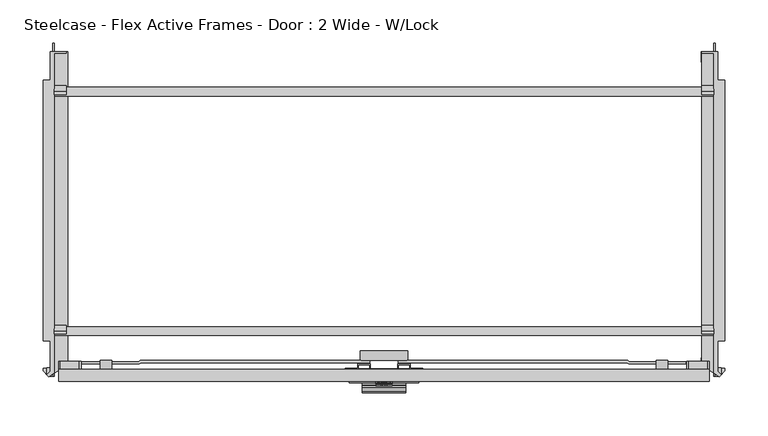
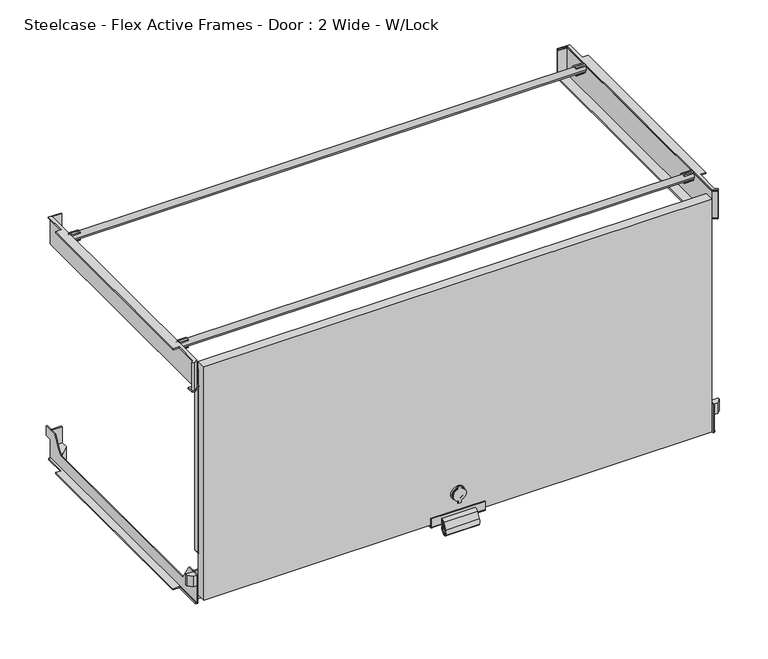
"""IFC4 building model written with IfcOpenShell, lengths in millimetres: furniture geometry, Steelcase - Flex Active Frames - Door : 2 Wide - W/Lock."""

from ifc_helpers import new_model, si_unit, point, frame, frame_2d, origin, place, context, project, spatial, polyline, circle_curve, trimmed, segment, composite_curve, outline, extrude, faceted_brep, source, transform, mapped, element, save
from ifc_brep_helpers import plane_surface, cylinder_surface, revolved_surface, advanced_brep


def steelcase_flex_active_frames_door_2_wide_w_lock_f617dd2b(model_context):
    return source(origin(), model_context, "Body", "SolidModel", [
        extrude(outline(polyline([(776.9420531, -373.0157005), (776.9420531, -1.9704708), (762.9400977, -1.9704708), (762.9400977, -0.2946526), (778.9303522, -0.0162739), (778.9303522, -368.4618531), (785.7171957, -375.2153725), (783.3940727, -377.5448751), (776.9420531, -373.0157005)])), frame((0.0, 0.0, 345.9048069), z_axis=(0.0, 0.0, 1.0), x_axis=(1.0, 0.0, 0.0)), (0.0, 0.0, 1.0), 41.5000832),
        advanced_brep(
        [(404.5297363, -386.5060322, 53.4049524), (404.5297363, -387.4990083, 53.4049524), (397.2627899, -387.4990083, 44.1242374), (397.2627899, -386.5060322, 44.1242374), (385.4102637, -387.4990083, 53.4049524), (385.4102637, -386.5060322, 53.4049524), (392.6772101, -386.5060322, 44.1242374), (392.6772101, -387.4990083, 44.1242374), (397.9371567, -386.5060322, 62.492556), (397.9371567, -387.4990083, 62.492556), (392.0028433, -387.4990083, 62.492556), (392.0028433, -386.5060322, 62.492556), (386.5596791, -385.7012029, 53.4049524), (403.3803209, -385.7012029, 53.4049524), (385.4917752, -385.7012029, 53.4049524), (404.4482248, -385.7012029, 53.4049524), (385.4917752, -384.715218, 53.4049524), (404.4482248, -384.715218, 53.4049524), (387.3856708, -384.0258963, 53.4049524), (402.5543292, -384.0258963, 53.4049524), (385.9113649, -384.0258963, 53.4049524), (404.0286351, -384.0258963, 53.4049524), (384.4116061, -382.5261375, 53.4049524), (405.5283939, -382.5261375, 53.4049524), (394.97, -382.5261375, 53.4049524), (398.150317, -387.4990083, 62.6110523), (398.150317, -387.4990083, 64.5755991), (396.626317, -387.4990083, 66.0995991), (393.313683, -387.4990083, 66.0995991), (391.789683, -387.4990083, 64.5755991), (391.789683, -387.4990083, 62.6110523), (392.603092, -387.4990083, 43.8269662), (392.603092, -387.4990083, 40.0258754), (397.336908, -387.4990083, 40.0258754), (397.336908, -387.4990083, 43.8269662), (391.789683, -386.5060322, 62.6110523), (391.789683, -386.5060322, 64.5755991), (393.313683, -386.5060322, 66.0995991), (396.626317, -386.5060322, 66.0995991), (398.150317, -386.5060322, 64.5755991), (398.150317, -386.5060322, 62.6110523), (397.336908, -386.5060322, 43.8269662), (397.336908, -386.5060322, 40.0258754), (392.603092, -386.5060322, 40.0258754), (392.603092, -386.5060322, 43.8269662)],
        [
            (0, 1),
            (1, 2, circle_curve(frame((394.97, -387.4990083, 53.4049524), z_axis=(0.0, 1.0, 0.0), x_axis=(1.0, 0.0, 0.0)), 9.5597363)),
            (2, 3),
            (3, 0, circle_curve(frame((394.97, -386.5060322, 53.4049524), z_axis=(0.0, -1.0, 0.0), x_axis=(1.0, 0.0, 0.0)), 9.5597363)),
            (4, 5),
            (5, 6, circle_curve(frame((394.97, -386.5060322, 53.4049524), z_axis=(0.0, -1.0, 0.0), x_axis=(1.0, 0.0, 0.0)), 9.5597363)),
            (6, 7),
            (7, 4, circle_curve(frame((394.97, -387.4990083, 53.4049524), z_axis=(0.0, 1.0, 0.0), x_axis=(1.0, 0.0, 0.0)), 9.5597363)),
            (0, 8, circle_curve(frame((394.97, -386.5060322, 53.4049524), z_axis=(0.0, -1.0, 0.0), x_axis=(1.0, 0.0, 0.0)), 9.5597363)),
            (8, 9),
            (9, 1, circle_curve(frame((394.97, -387.4990083, 53.4049524), z_axis=(0.0, 1.0, 0.0), x_axis=(1.0, 0.0, 0.0)), 9.5597363)),
            (4, 10, circle_curve(frame((394.97, -387.4990083, 53.4049524), z_axis=(0.0, 1.0, 0.0), x_axis=(1.0, 0.0, 0.0)), 9.5597363)),
            (10, 11),
            (11, 5, circle_curve(frame((394.97, -386.5060322, 53.4049524), z_axis=(0.0, -1.0, 0.0), x_axis=(1.0, 0.0, 0.0)), 9.5597363)),
            (12, 13, circle_curve(frame((394.97, -385.7012029, 53.4049524), z_axis=(0.0, -1.0, 0.0), x_axis=(1.0, 0.0, 0.0)), 8.4103209)),
            (13, 0),
            (3, 6, circle_curve(frame((394.97, -386.5060322, 53.4049524), z_axis=(0.0, 1.0, 0.0), x_axis=(1.0, 0.0, 0.0)), 9.5597363)),
            (5, 12),
            (13, 12, circle_curve(frame((394.97, -385.7012029, 53.4049524), z_axis=(0.0, -1.0, 0.0), x_axis=(1.0, 0.0, 0.0)), 8.4103209)),
            (11, 8, circle_curve(frame((394.97, -386.5060322, 53.4049524), z_axis=(0.0, 1.0, 0.0), x_axis=(1.0, 0.0, 0.0)), 9.5597363)),
            (12, 14),
            (14, 15, circle_curve(frame((394.97, -385.7012029, 53.4049524), z_axis=(0.0, -1.0, 0.0), x_axis=(1.0, 0.0, 0.0)), 9.4782248)),
            (15, 13),
            (15, 14, circle_curve(frame((394.97, -385.7012029, 53.4049524), z_axis=(0.0, -1.0, 0.0), x_axis=(1.0, 0.0, 0.0)), 9.4782248)),
            (14, 16),
            (16, 17, circle_curve(frame((394.97, -384.715218, 53.4049524), z_axis=(0.0, -1.0, 0.0), x_axis=(1.0, 0.0, 0.0)), 9.4782248)),
            (17, 15),
            (17, 16, circle_curve(frame((394.97, -384.715218, 53.4049524), z_axis=(0.0, -1.0, 0.0), x_axis=(1.0, 0.0, 0.0)), 9.4782248)),
            (16, 18),
            (18, 19, circle_curve(frame((394.97, -384.0258963, 53.4049524), z_axis=(0.0, -1.0, 0.0), x_axis=(1.0, 0.0, 0.0)), 7.5843292)),
            (19, 17),
            (19, 18, circle_curve(frame((394.97, -384.0258963, 53.4049524), z_axis=(0.0, -1.0, 0.0), x_axis=(1.0, 0.0, 0.0)), 7.5843292)),
            (18, 20),
            (20, 21, circle_curve(frame((394.97, -384.0258963, 53.4049524), z_axis=(0.0, -1.0, 0.0), x_axis=(1.0, 0.0, 0.0)), 9.0586351)),
            (21, 19),
            (21, 20, circle_curve(frame((394.97, -384.0258963, 53.4049524), z_axis=(0.0, -1.0, 0.0), x_axis=(1.0, 0.0, 0.0)), 9.0586351)),
            (20, 22),
            (22, 23, circle_curve(frame((394.97, -382.5261375, 53.4049524), z_axis=(0.0, -1.0, 0.0), x_axis=(1.0, 0.0, 0.0)), 10.5583939)),
            (23, 21),
            (23, 22, circle_curve(frame((394.97, -382.5261375, 53.4049524), z_axis=(0.0, -1.0, 0.0), x_axis=(1.0, 0.0, 0.0)), 10.5583939)),
            (22, 24),
            (24, 23),
            (25, 26),
            (26, 27, circle_curve(frame((396.626317, -387.4990083, 64.5755991), z_axis=(0.0, -1.0, 0.0), x_axis=(1.0, 0.0, 0.0)), 1.524)),
            (27, 28),
            (28, 29, circle_curve(frame((393.313683, -387.4990083, 64.5755991), z_axis=(0.0, -1.0, 0.0), x_axis=(1.0, 0.0, 0.0)), 1.524)),
            (29, 30),
            (30, 10),
            (7, 31),
            (31, 32),
            (32, 33),
            (33, 34),
            (34, 2),
            (9, 25),
            (35, 36),
            (36, 37, circle_curve(frame((393.313683, -386.5060322, 64.5755991), z_axis=(0.0, 1.0, 0.0), x_axis=(1.0, 0.0, 0.0)), 1.524)),
            (37, 38),
            (38, 39, circle_curve(frame((396.626317, -386.5060322, 64.5755991), z_axis=(0.0, 1.0, 0.0), x_axis=(1.0, 0.0, 0.0)), 1.524)),
            (39, 40),
            (40, 8),
            (11, 35),
            (41, 42),
            (42, 43),
            (43, 44),
            (44, 6),
            (3, 41),
            (30, 35),
            (44, 31),
            (43, 32),
            (42, 33),
            (41, 34),
            (40, 25),
            (39, 26),
            (38, 27),
            (37, 28),
            (36, 29),
        ],
        [
            cylinder_surface(frame((394.97, -363.4761375, 53.4049524), z_axis=(0.0, 1.0, 0.0), x_axis=(1.0, 0.0, 0.0)), 9.5597363),
            revolved_surface(polyline([(404.5297363, -386.5060322, 53.4049524), (403.3803209, -385.7012029, 53.4049524)]), (394.97, -363.4761375, 53.4049524), (0.0, 1.0, 0.0)),
            plane_surface(frame((394.97, -385.7012029, 53.4049524), z_axis=(0.0, -1.0, 0.0), x_axis=(1.0, 0.0, 0.0))),
            cylinder_surface(frame((394.97, -363.4761375, 53.4049524), z_axis=(0.0, 1.0, 0.0), x_axis=(1.0, 0.0, 0.0)), 9.4782248),
            revolved_surface(polyline([(404.4482248, -384.715218, 53.4049524), (402.5543292, -384.0258963, 53.4049524)]), (394.97, -363.4761375, 53.4049524), (0.0, 1.0, 0.0)),
            plane_surface(frame((394.97, -384.0258963, 53.4049524), z_axis=(0.0, -1.0, 0.0), x_axis=(1.0, 0.0, 0.0))),
            revolved_surface(polyline([(404.0286351, -384.0258963, 53.4049524), (405.5283939, -382.5261375, 53.4049524)]), (394.97, -363.4761375, 53.4049524), (0.0, 1.0, 0.0)),
            plane_surface(frame((394.97, -382.5261375, 53.4049524), z_axis=(0.0, 1.0, 0.0), x_axis=(1.0, 0.0, 0.0))),
            plane_surface(frame((394.97, -387.4990083, 53.4049524), z_axis=(0.0, -1.0, 0.0), x_axis=(1.0, 0.0, 0.0))),
            plane_surface(frame((391.789683, -386.5060322, 62.6110523), z_axis=(0.0, 1.0, 0.0), x_axis=(-0.8740285702770072, 0.0, 0.4858745294204366))),
            plane_surface(frame((391.789683, -387.4990083, 62.6110523), z_axis=(-0.4858745294204366, 0.0, -0.8740285702770072), x_axis=(0.0, 1.0, 0.0))),
            plane_surface(frame((393.3625158, -387.4990083, 46.8728484), z_axis=(-0.9702957262759957, 0.0, 0.24192189559967098), x_axis=(0.0, 1.0, 0.0))),
            plane_surface(frame((392.603092, -387.4990083, 43.8269662), z_axis=(-1.0, 0.0, 0.0), x_axis=(0.0, 1.0, 0.0))),
            plane_surface(frame((392.603092, -387.4990083, 40.0258754), z_axis=(0.0, 0.0, -1.0), x_axis=(0.0, 1.0, 0.0))),
            plane_surface(frame((397.336908, -387.4990083, 40.0258754), z_axis=(1.0, 0.0, 0.0), x_axis=(0.0, 1.0, 0.0))),
            plane_surface(frame((397.336908, -387.4990083, 43.8269662), z_axis=(0.9702957262759965, 0.0, 0.24192189559966779), x_axis=(0.0, 1.0, 0.0))),
            plane_surface(frame((397.3248277, -387.4990083, 62.1521609), z_axis=(0.4858745294204366, 0.0, -0.8740285702770072), x_axis=(0.0, 1.0, 0.0))),
            plane_surface(frame((398.150317, -387.4990083, 62.6110523), z_axis=(1.0, 0.0, 0.0), x_axis=(0.0, 1.0, 0.0))),
            cylinder_surface(frame((396.626317, -386.5060322, 64.5755991), z_axis=(0.0, -1.0, 0.0), x_axis=(1.0, 0.0, 0.0)), 1.524),
            plane_surface(frame((396.626317, -387.4990083, 66.0995991), z_axis=(0.0, 0.0, 1.0), x_axis=(0.0, 1.0, 0.0))),
            cylinder_surface(frame((393.313683, -386.5060322, 64.5755991), z_axis=(0.0, -1.0, 0.0), x_axis=(1.0, 0.0, 0.0)), 1.524),
            plane_surface(frame((391.789683, -387.4990083, 64.5755991), z_axis=(-1.0, 0.0, 0.0), x_axis=(0.0, 1.0, 0.0))),
        ],
        [
            (0, [[1, 2, 3, 4]]),
            (0, [[5, 6, 7, 8]]),
            (0, [[-1, 9, 10, 11]]),
            (0, [[-5, 12, 13, 14]]),
            (1, [[15, 16, -4, 17, -6, 18]]),
            (1, [[-16, 19, -18, -14, 20, -9]]),
            (2, [[-15, 21, 22, 23]]),
            (2, [[-19, -23, 24, -21]]),
            (3, [[-22, 25, 26, 27]]),
            (3, [[-24, -27, 28, -25]]),
            (4, [[-26, 29, 30, 31]]),
            (4, [[-28, -31, 32, -29]]),
            (5, [[-30, 33, 34, 35]]),
            (5, [[-32, -35, 36, -33]]),
            (6, [[-34, 37, 38, 39]]),
            (6, [[-36, -39, 40, -37]]),
            (7, [[-38, 41, 42]]),
            (7, [[-40, -42, -41]]),
            (8, [[43, 44, 45, 46, 47, 48, -12, -8, 49, 50, 51, 52, 53, -2, -11, 54]]),
            (9, [[55, 56, 57, 58, 59, 60, -20, 61]]),
            (9, [[62, 63, 64, 65, -17, 66]]),
            (10, [[67, -61, -13, -48]]),
            (11, [[68, -49, -7, -65]]),
            (12, [[-50, -68, -64, 69]]),
            (13, [[-51, -69, -63, 70]]),
            (14, [[-52, -70, -62, 71]]),
            (15, [[-71, -66, -3, -53]]),
            (16, [[72, -54, -10, -60]]),
            (17, [[-43, -72, -59, 73]]),
            (18, [[-44, -73, -58, 74]]),
            (19, [[-45, -74, -57, 75]]),
            (20, [[-46, -75, -56, 76]]),
            (21, [[-47, -76, -55, -67]]),
        ],
    ),
        extrude(outline(composite_curve([segment(polyline([(-394.5053212, 10.4032894), (-389.4788354, 19.5558073)]), True, "CONTINUOUS"), segment(trimmed(circle_curve(frame_2d((-384.936598, 17.0612488)), 5.1821562), [point((-389.4788354, 19.5558073))], [point((-384.0258963, 22.1627549))], False, "CARTESIAN"), True, "CONTINUOUS"), segment(polyline([(-384.0258963, 22.1627549), (-384.0258963, 21.3436146)]), True, "CONTINUOUS"), segment(trimmed(circle_curve(frame_2d((-385.1798575, 16.9863859)), 4.507446), [point((-384.0258963, 21.3436146))], [point((-389.1307013, 19.156156))], True, "CARTESIAN"), True, "CONTINUOUS"), segment(polyline([(-389.1307013, 19.156156), (-394.0692316, 10.1637927)]), True, "CONTINUOUS"), segment(trimmed(circle_curve(frame_2d((-386.2818738, 5.8870413)), 8.8844552), [point((-394.0692316, 10.1637927))], [point((-394.5968885, 2.7574926))], True, "CARTESIAN"), True, "CONTINUOUS"), segment(trimmed(circle_curve(frame_2d((-391.3251773, 3.988877)), 3.4957691), [point((-394.5968885, 2.7574926))], [point((-388.7326498, 1.643839))], True, "CARTESIAN"), True, "CONTINUOUS"), segment(trimmed(circle_curve(frame_2d((-399.4761611, 11.3617468)), 14.486572), [point((-388.7326498, 1.643839))], [point((-385.1577798, 9.1606733))], True, "CARTESIAN"), True, "CONTINUOUS"), segment(trimmed(circle_curve(frame_2d((-387.6682901, 9.546598)), 2.54), [point((-385.1577798, 9.1606733))], [point((-385.3170952, 10.507578))], True, "CARTESIAN"), True, "CONTINUOUS"), segment(trimmed(circle_curve(frame_2d((-376.2025969, 14.2328539)), 9.8464085), [point((-385.3170952, 10.507578))], [point((-385.7925384, 16.4655163))], False, "CARTESIAN"), True, "CONTINUOUS"), segment(trimmed(circle_curve(frame_2d((-384.508257, 16.166519)), 1.3186274), [point((-385.7925384, 16.4655163))], [point((-384.0258963, 17.3937542))], False, "CARTESIAN"), True, "CONTINUOUS"), segment(polyline([(-384.0258963, 17.3937542), (-384.0258963, 16.6121672)]), True, "CONTINUOUS"), segment(trimmed(circle_curve(frame_2d((-384.6064956, 16.1935716)), 0.7157638), [point((-384.0258963, 16.6121672))], [point((-385.3045283, 16.3519012))], True, "CARTESIAN"), True, "CONTINUOUS"), segment(trimmed(circle_curve(frame_2d((-375.8143378, 14.1993116)), 9.7312567), [point((-385.3045283, 16.3519012))], [point((-384.8047536, 10.4750963))], True, "CARTESIAN"), True, "CONTINUOUS"), segment(trimmed(circle_curve(frame_2d((-387.1513834, 9.5030217)), 2.54), [point((-384.8047536, 10.4750963))], [point((-384.6300651, 9.1955248))], False, "CARTESIAN"), True, "CONTINUOUS"), segment(trimmed(circle_curve(frame_2d((-398.2733257, 10.8594403)), 13.7443506), [point((-384.6300651, 9.1955248))], [point((-388.5654138, 1.1299171))], False, "CARTESIAN"), True, "CONTINUOUS"), segment(trimmed(circle_curve(frame_2d((-391.3447502, 3.9154407)), 3.9349526), [point((-388.5654138, 1.1299171))], [point((-395.003667, 2.4676217))], False, "CARTESIAN"), True, "CONTINUOUS"), segment(trimmed(circle_curve(frame_2d((-386.315486, 5.9055009)), 9.3436343), [point((-395.003667, 2.4676217))], [point((-394.5053212, 10.4032894))], False, "CARTESIAN"), True, "CONTINUOUS")], self_intersect=False)), frame((369.9859145, 0.0, 0.0), z_axis=(1.0, 0.0, 0.0), x_axis=(0.0, 1.0, 0.0)), (0.0, 0.0, 1.0), 49.9681709),
        extrude(outline(composite_curve([segment(polyline([(-393.2348137, 9.6697586), (-388.5001978, 18.5229973)]), True, "CONTINUOUS"), segment(trimmed(circle_curve(frame_2d((-384.6800166, 16.4800059)), 4.3321586), [point((-388.5001978, 18.5229973))], [point((-384.0258963, 20.7624963))], False, "CARTESIAN"), True, "CONTINUOUS"), segment(polyline([(-384.0258963, 20.7624963), (-384.0258963, 19.9610297)]), True, "CONTINUOUS"), segment(trimmed(circle_curve(frame_2d((-384.9916473, 16.585016)), 3.5114303), [point((-384.0258963, 19.9610297))], [point((-388.0880944, 18.2409623))], True, "CARTESIAN"), True, "CONTINUOUS"), segment(polyline([(-388.0880944, 18.2409623), (-392.7970743, 9.4356603)]), True, "CONTINUOUS"), segment(trimmed(circle_curve(frame_2d((-385.9017131, 5.748096)), 7.8194716), [point((-392.7970743, 9.4356603))], [point((-393.4843715, 3.8382718))], True, "CARTESIAN"), True, "CONTINUOUS"), segment(trimmed(circle_curve(frame_2d((-391.2381454, 4.4040229)), 2.3163777), [point((-393.4843715, 3.8382718))], [point((-389.4681109, 2.9098396))], True, "CARTESIAN"), True, "CONTINUOUS"), segment(trimmed(circle_curve(frame_2d((-399.1697978, 11.0995661)), 12.6962336), [point((-389.4681109, 2.9098396))], [point((-386.6211818, 9.1691299))], True, "CARTESIAN"), True, "CONTINUOUS"), segment(trimmed(circle_curve(frame_2d((-389.1316495, 9.5553317)), 2.54), [point((-386.6211818, 9.1691299))], [point((-386.7724973, 10.4966077))], True, "CARTESIAN"), True, "CONTINUOUS"), segment(trimmed(circle_curve(frame_2d((-377.3543286, 14.2543545)), 10.140146), [point((-386.7724973, 10.4966077))], [point((-387.1782369, 16.7669998))], False, "CARTESIAN"), True, "CONTINUOUS"), segment(trimmed(circle_curve(frame_2d((-384.5224201, 16.0877258)), 2.7413092), [point((-387.1782369, 16.7669998))], [point((-384.0258963, 18.7836932))], False, "CARTESIAN"), True, "CONTINUOUS"), segment(polyline([(-384.0258963, 18.7836932), (-384.0258963, 17.9896732)]), True, "CONTINUOUS"), segment(trimmed(circle_curve(frame_2d((-384.7842725, 16.1801113)), 1.9620521), [point((-384.0258963, 17.9896732))], [point((-386.6910856, 16.6424019))], True, "CARTESIAN"), True, "CONTINUOUS"), segment(trimmed(circle_curve(frame_2d((-376.7668809, 14.2363631)), 10.2117022), [point((-386.6910856, 16.6424019))], [point((-386.2669949, 10.4911401))], True, "CARTESIAN"), True, "CONTINUOUS"), segment(trimmed(circle_curve(frame_2d((-388.6299985, 9.5595749)), 2.54), [point((-386.2669949, 10.4911401))], [point((-386.1182341, 9.1818983))], False, "CARTESIAN"), True, "CONTINUOUS"), segment(trimmed(circle_curve(frame_2d((-399.1577456, 11.1425591)), 13.186093), [point((-386.1182341, 9.1818983))], [point((-389.2466987, 2.4451917))], False, "CARTESIAN"), True, "CONTINUOUS"), segment(trimmed(circle_curve(frame_2d((-391.2779315, 4.2276853)), 2.7024415), [point((-389.2466987, 2.4451917))], [point((-393.8696232, 3.4619671))], False, "CARTESIAN"), True, "CONTINUOUS"), segment(trimmed(circle_curve(frame_2d((-385.9836158, 5.7918967)), 8.2229973), [point((-393.8696232, 3.4619671))], [point((-393.2348137, 9.6697586))], False, "CARTESIAN"), True, "CONTINUOUS")], self_intersect=False)), frame((369.9859145, 0.0, 0.0), z_axis=(1.0, 0.0, 0.0), x_axis=(0.0, 1.0, 0.0)), (0.0, 0.0, 1.0), 49.9681709),
        extrude(outline(composite_curve([segment(polyline([(-368.0264793, 11.7171627), (-381.9938963, 11.7171627)]), True, "CONTINUOUS"), segment(trimmed(circle_curve(frame_2d((-381.9938963, 13.7491627)), 2.032), [point((-381.9938963, 11.7171627))], [point((-384.0258963, 13.7491627))], False, "CARTESIAN"), True, "CONTINUOUS"), segment(polyline([(-384.0258963, 13.7491627), (-384.0258963, 26.6993151), (-382.5209343, 26.6993151), (-382.5209343, 14.3428212)]), True, "CONTINUOUS"), segment(trimmed(circle_curve(frame_2d((-381.2509343, 14.3428212)), 1.27), [point((-382.5209343, 14.3428212))], [point((-381.2509343, 13.0728212))], True, "CARTESIAN"), True, "CONTINUOUS"), segment(polyline([(-381.2509343, 13.0728212), (-368.0264793, 13.0728212), (-368.0264793, 11.7171627)]), True, "CONTINUOUS")], self_intersect=False)), frame((354.9645204, 0.0, 0.0), z_axis=(1.0, 0.0, 0.0), x_axis=(0.0, 1.0, 0.0)), (0.0, 0.0, 1.0), 80.0109592),
        extrude(outline(composite_curve([segment(trimmed(circle_curve(frame_2d((53.4049524, 394.9650342)), 27.432), [point((53.4049524, 367.5330342))], [point((53.4049524, 422.3970342))], False, "CARTESIAN"), True, "CONTINUOUS"), segment(trimmed(circle_curve(frame_2d((53.4049524, 394.9650342)), 27.432), [point((53.4049524, 422.3970342))], [point((53.4049524, 367.5330342))], False, "CARTESIAN"), True, "CONTINUOUS")], self_intersect=False)), frame((0.0, -358.2604492, 0.0), z_axis=(0.0, 1.0, 0.0), x_axis=(0.0, 0.0, 1.0)), (0.0, 0.0, 1.0), 10.8583257),
        extrude(outline(polyline([(79.5158829, -362.5062706), (79.5158829, -360.0062596), (110.5835844, -360.0062596), (112.6258532, -358.5062664), (378.569378, -358.5062664), (378.569378, -361.006247), (113.445268, -361.006247), (111.402958, -362.5062706), (79.5158829, -362.5062706)])), frame((0.0, 0.0, 47.091239), z_axis=(0.0, 0.0, 1.0), x_axis=(1.0, 0.0, 0.0)), (0.0, 0.0, 1.0), 12.5687958),
        extrude(outline(polyline([(710.4241171, -362.5062706), (678.537042, -362.5062706), (676.494732, -361.006247), (411.370622, -361.006247), (411.370622, -358.5062664), (677.3141468, -358.5062664), (679.3564156, -360.0062596), (710.4241171, -360.0062596), (710.4241171, -362.5062706)])), frame((0.0, 0.0, 47.091239), z_axis=(0.0, 0.0, 1.0), x_axis=(1.0, 0.0, 0.0)), (0.0, 0.0, 1.0), 12.5687958),
        extrude(outline(composite_curve([segment(polyline([(47.1600332, 66.002076), (59.659997, 66.002076), (59.659997, 44.5899139)]), True, "CONTINUOUS"), segment(trimmed(circle_curve(frame_2d((53.4100151, 44.5899139)), 6.2499819), [point((59.659997, 44.5899139))], [point((47.1600332, 44.5899139))], False, "CARTESIAN"), True, "CONTINUOUS"), segment(polyline([(47.1600332, 44.5899139), (47.1600332, 66.002076)]), True, "CONTINUOUS")], self_intersect=False)), frame((0.0, -362.5135073, 0.0), z_axis=(0.0, 1.0, 0.0), x_axis=(0.0, 0.0, 1.0)), (0.0, 0.0, 1.0), 2.5072627),
        extrude(outline(composite_curve([segment(polyline([(47.1600332, 723.937924), (47.1600332, 745.3500861)]), True, "CONTINUOUS"), segment(trimmed(circle_curve(frame_2d((53.4100151, 745.3500861)), 6.2499819), [point((47.1600332, 745.3500861))], [point((59.659997, 745.3500861))], False, "CARTESIAN"), True, "CONTINUOUS"), segment(polyline([(59.659997, 745.3500861), (59.659997, 723.937924), (47.1600332, 723.937924)]), True, "CONTINUOUS")], self_intersect=False)), frame((0.0, -362.5135073, 0.0), z_axis=(0.0, 1.0, 0.0), x_axis=(0.0, 0.0, 1.0)), (0.0, 0.0, 1.0), 2.5072627),
        extrude(outline(composite_curve([segment(trimmed(circle_curve(frame_2d((39.4663531, 72.7589794)), 6.7569035), [point((39.4663531, 66.002076))], [point((39.4663531, 79.5158829))], False, "CARTESIAN"), True, "CONTINUOUS"), segment(polyline([(39.4663531, 79.5158829), (67.2893278, 79.5158829)]), True, "CONTINUOUS"), segment(trimmed(circle_curve(frame_2d((67.2893278, 72.7589794)), 6.7569035), [point((67.2893278, 79.5158829))], [point((67.2893278, 66.002076))], False, "CARTESIAN"), True, "CONTINUOUS"), segment(polyline([(67.2893278, 66.002076), (39.4663531, 66.002076)]), True, "CONTINUOUS")], self_intersect=False)), frame((0.0, -368.5066341, 0.0), z_axis=(0.0, 1.0, 0.0), x_axis=(0.0, 0.0, 1.0)), (0.0, 0.0, 1.0), 10.2464282),
        extrude(outline(composite_curve([segment(polyline([(39.4663531, 723.937924), (67.2893278, 723.937924)]), True, "CONTINUOUS"), segment(trimmed(circle_curve(frame_2d((67.2893278, 717.1810206)), 6.7569035), [point((67.2893278, 723.937924))], [point((67.2893278, 710.4241171))], False, "CARTESIAN"), True, "CONTINUOUS"), segment(polyline([(67.2893278, 710.4241171), (39.4663531, 710.4241171)]), True, "CONTINUOUS"), segment(trimmed(circle_curve(frame_2d((39.4663531, 717.1810206)), 6.7569035), [point((39.4663531, 710.4241171))], [point((39.4663531, 723.937924))], False, "CARTESIAN"), True, "CONTINUOUS")], self_intersect=False)), frame((0.0, -368.5066341, 0.0), z_axis=(0.0, 1.0, 0.0), x_axis=(0.0, 0.0, 1.0)), (0.0, 0.0, 1.0), 10.2464282),
        extrude(outline(polyline([(379.3040715, -373.7584846), (410.6359285, -373.7584846), (410.6359285, -362.5135073), (425.6157299, -362.5135073), (425.6157299, -367.7130567), (440.060925, -367.7130567), (440.060925, -368.5002664), (424.8657271, -368.5002664), (424.8657271, -363.2635099), (411.3859311, -363.2635099), (411.3859311, -374.5084873), (378.5540689, -374.5084873), (378.5540689, -363.2635099), (365.0742729, -363.2635099), (365.0742729, -368.5002664), (349.879075, -368.5002664), (349.879075, -367.7130567), (364.3242701, -367.7130567), (364.3242701, -362.5135073), (379.3040715, -362.5135073), (379.3040715, -373.7584846)])), frame((0.0, 0.0, 31.2417849), z_axis=(0.0, 0.0, 1.0), x_axis=(1.0, 0.0, 0.0)), (0.0, 0.0, 1.0), 44.3884583),
        extrude(outline(composite_curve([segment(polyline([(-46.5254063, 387.4651093), (-49.8140863, 387.4651093), (-49.8140863, 389.3429016), (-46.0133736, 389.3429016)]), True, "CONTINUOUS"), segment(trimmed(circle_curve(frame_2d((-46.0133736, 382.9938948)), 6.3490068), [point((-46.0133736, 389.3429016))], [point((-46.0133736, 376.6448879))], False, "CARTESIAN"), True, "CONTINUOUS"), segment(polyline([(-46.0133736, 376.6448879), (-49.8140863, 376.6448879), (-49.8140863, 378.2206396), (-46.5254063, 378.2206396)]), True, "CONTINUOUS"), segment(trimmed(circle_curve(frame_2d((-46.5254063, 382.8428744)), 4.6222348), [point((-46.5254063, 378.2206396))], [point((-46.5254063, 387.4651093))], True, "CARTESIAN"), True, "CONTINUOUS")], self_intersect=False)), frame((762.9401461, 0.0, 0.0), z_axis=(1.0, 0.0, 0.0), x_axis=(0.0, 1.0, 0.0)), (0.0, 0.0, 1.0), 14.2519757),
        extrude(outline(composite_curve([segment(polyline([(-324.5158504, 387.4651093), (-327.8045305, 387.4651093), (-327.8045305, 389.3429016), (-324.0038177, 389.3429016)]), True, "CONTINUOUS"), segment(trimmed(circle_curve(frame_2d((-324.0038177, 382.9938948)), 6.3490068), [point((-324.0038177, 389.3429016))], [point((-324.0038177, 376.6448879))], False, "CARTESIAN"), True, "CONTINUOUS"), segment(polyline([(-324.0038177, 376.6448879), (-327.8045305, 376.6448879), (-327.8045305, 378.2206396), (-324.5158504, 378.2206396)]), True, "CONTINUOUS"), segment(trimmed(circle_curve(frame_2d((-324.5158504, 382.8428744)), 4.6222348), [point((-324.5158504, 378.2206396))], [point((-324.5158504, 387.4651093))], True, "CARTESIAN"), True, "CONTINUOUS")], self_intersect=False)), frame((762.9401461, 0.0, 0.0), z_axis=(1.0, 0.0, 0.0), x_axis=(0.0, 1.0, 0.0)), (0.0, 0.0, 1.0), 14.2519757),
        extrude(outline(composite_curve([segment(polyline([(-46.5254063, 387.4651093), (-49.8140863, 387.4651093), (-49.8140863, 389.3429016), (-46.0133736, 389.3429016)]), True, "CONTINUOUS"), segment(trimmed(circle_curve(frame_2d((-46.0133736, 382.9938948)), 6.3490068), [point((-46.0133736, 389.3429016))], [point((-46.0133736, 376.6448879))], False, "CARTESIAN"), True, "CONTINUOUS"), segment(polyline([(-46.0133736, 376.6448879), (-49.8140863, 376.6448879), (-49.8140863, 378.2206396), (-46.5254063, 378.2206396)]), True, "CONTINUOUS"), segment(trimmed(circle_curve(frame_2d((-46.5254063, 382.8428744)), 4.6222348), [point((-46.5254063, 378.2206396))], [point((-46.5254063, 387.4651093))], True, "CARTESIAN"), True, "CONTINUOUS")], self_intersect=False)), frame((12.9903408, 0.0, 0.0), z_axis=(1.0, 0.0, 0.0), x_axis=(0.0, 1.0, 0.0)), (0.0, 0.0, 1.0), 13.8328281),
        extrude(outline(composite_curve([segment(polyline([(-324.5158504, 387.4651093), (-327.8045305, 387.4651093), (-327.8045305, 389.3429016), (-324.0038177, 389.3429016)]), True, "CONTINUOUS"), segment(trimmed(circle_curve(frame_2d((-324.0038177, 382.9938948)), 6.3490068), [point((-324.0038177, 389.3429016))], [point((-324.0038177, 376.6448879))], False, "CARTESIAN"), True, "CONTINUOUS"), segment(polyline([(-324.0038177, 376.6448879), (-327.8045305, 376.6448879), (-327.8045305, 378.2206396), (-324.5158504, 378.2206396)]), True, "CONTINUOUS"), segment(trimmed(circle_curve(frame_2d((-324.5158504, 382.8428744)), 4.6222348), [point((-324.5158504, 378.2206396))], [point((-324.5158504, 387.4651093))], True, "CARTESIAN"), True, "CONTINUOUS")], self_intersect=False)), frame((12.9903408, 0.0, 0.0), z_axis=(1.0, 0.0, 0.0), x_axis=(0.0, 1.0, 0.0)), (0.0, 0.0, 1.0), 13.8328281),
        extrude(outline(composite_curve([segment(trimmed(circle_curve(frame_2d((-46.5730255, 382.9048744)), 5.0417269), [point((-51.6147524, 382.9048744))], [point((-41.5312986, 382.9048744))], False, "CARTESIAN"), True, "CONTINUOUS"), segment(trimmed(circle_curve(frame_2d((-46.5730255, 382.9048744)), 5.0417269), [point((-41.5312986, 382.9048744))], [point((-51.6147524, 382.9048744))], False, "CARTESIAN"), True, "CONTINUOUS")], self_intersect=False)), frame((12.9979469, 0.0, 0.0), z_axis=(1.0, 0.0, 0.0), x_axis=(0.0, 1.0, 0.0)), (0.0, 0.0, 1.0), 763.9441061),
        extrude(outline(composite_curve([segment(trimmed(circle_curve(frame_2d((-324.5634697, 382.9048744)), 5.0417269), [point((-329.6051966, 382.9048744))], [point((-319.5217428, 382.9048744))], False, "CARTESIAN"), True, "CONTINUOUS"), segment(trimmed(circle_curve(frame_2d((-324.5634697, 382.9048744)), 5.0417269), [point((-319.5217428, 382.9048744))], [point((-329.6051966, 382.9048744))], False, "CARTESIAN"), True, "CONTINUOUS")], self_intersect=False)), frame((12.9979469, 0.0, 0.0), z_axis=(1.0, 0.0, 0.0), x_axis=(0.0, 1.0, 0.0)), (0.0, 0.0, 1.0), 763.9441061),
        extrude(outline(polyline([(0.0078094, -367.26628), (11.0099869, -367.26628), (11.0099869, -376.6280043), (6.0092747, -376.6280043), (0.0078094, -370.59252), (0.0078094, -367.26628)])), frame((0.0, 0.0, 37.9007596), z_axis=(0.0, 0.0, 1.0), x_axis=(1.0, 0.0, 0.0)), (0.0, 0.0, 1.0), 16.5825934),
        extrude(outline(polyline([(789.94, -367.26628), (789.94, -370.5843343), (783.9307253, -376.6280043), (778.9300131, -376.6280043), (778.9300131, -367.26628), (789.94, -367.26628)])), frame((0.0, 0.0, 37.9007596), z_axis=(0.0, 0.0, 1.0), x_axis=(1.0, 0.0, 0.0)), (0.0, 0.0, 1.0), 16.5825934),
        extrude(outline(polyline([(-11.7529543, 54.5088965), (9.7338051, 54.4672422), (9.7254723, 39.5237745), (0.0, 39.504953), (0.0, 9.5006071), (-376.6280285, 9.5006071), (-376.6280285, 54.4842854), (-356.1653725, 54.4842854), (-340.412346, 29.4859909), (-27.1233444, 29.4859909), (-20.3413456, 36.2392366), (-11.7529543, 54.5088965)])), frame((777.3469702, 0.0, 0.0), z_axis=(1.0, 0.0, 0.0), x_axis=(0.0, 1.0, 0.0)), (0.0, 0.0, 1.0), 1.583382),
        extrude(outline(polyline([(0.0, -334.1044128), (0.0, -33.4312927), (8.0401585, -33.4312927), (8.0401585, -2.0431408), (11.0099869, -2.0431408), (11.0099869, -375.1613544), (9.5184597, -375.1613544), (9.5184597, -334.1044128), (0.0, -334.1044128)])), frame((0.0, 0.0, 9.5006313), z_axis=(0.0, 0.0, 1.0), x_axis=(1.0, 0.0, 0.0)), (0.0, 0.0, 1.0), 1.9796757),
        extrude(outline(polyline([(789.94, -334.1044128), (780.4215403, -334.1044128), (780.4215403, -375.1613544), (778.9300131, -375.1613544), (778.9300131, -2.0431408), (781.8998415, -2.0431408), (781.8998415, -33.4312927), (789.94, -33.4312927), (789.94, -334.1044128)])), frame((0.0, 0.0, 9.5006313), z_axis=(0.0, 0.0, 1.0), x_axis=(1.0, 0.0, 0.0)), (0.0, 0.0, 1.0), 1.9796757),
        extrude(outline(polyline([(12.5930298, -365.4925648), (27.5930347, -365.4925648), (27.5930347, -367.2662453), (12.5930298, -367.2662453), (12.5930298, -365.4925648)])), frame((0.0, 0.0, 9.5006313), z_axis=(0.0, 0.0, 1.0), x_axis=(1.0, 0.0, 0.0)), (0.0, 0.0, 1.0), 45.1789778),
        extrude(outline(polyline([(12.5930298, 0.0), (27.5930347, 0.0), (27.5930347, -2.0431408), (12.5930298, -2.0431408), (12.5930298, 0.0)])), frame((0.0, 0.0, 9.5006313), z_axis=(0.0, 0.0, 1.0), x_axis=(1.0, 0.0, 0.0)), (0.0, 0.0, 1.0), 45.1789778),
        extrude(outline(polyline([(777.3469702, -365.4925648), (777.3469702, -367.2662453), (762.3469653, -367.2662453), (762.3469653, -365.4925648), (777.3469702, -365.4925648)])), frame((0.0, 0.0, 9.5006313), z_axis=(0.0, 0.0, 1.0), x_axis=(1.0, 0.0, 0.0)), (0.0, 0.0, 1.0), 45.1789778),
        extrude(outline(polyline([(777.3469702, 0.0), (777.3469702, -2.0431408), (762.3469653, -2.0431408), (762.3469653, 0.0), (777.3469702, 0.0)])), frame((0.0, 0.0, 9.5006313), z_axis=(0.0, 0.0, 1.0), x_axis=(1.0, 0.0, 0.0)), (0.0, 0.0, 1.0), 45.1789778),
        extrude(outline(polyline([(12.5930298, -340.412349), (27.5930347, -355.3825593), (27.5930347, -365.4925648), (12.5930298, -365.4925648), (12.5930298, -340.412349)])), frame((0.0, 0.0, 9.5006313), z_axis=(0.0, 0.0, 1.0), x_axis=(1.0, 0.0, 0.0)), (0.0, 0.0, 1.0), 19.9853596),
        extrude(outline(polyline([(12.5930298, -2.0431408), (27.5930347, -2.0431408), (27.5930347, -12.1531342), (12.5930298, -27.1233444), (12.5930298, -2.0431408)])), frame((0.0, 0.0, 9.5006313), z_axis=(0.0, 0.0, 1.0), x_axis=(1.0, 0.0, 0.0)), (0.0, 0.0, 1.0), 19.9853596),
        extrude(outline(polyline([(777.3469702, -340.412349), (777.3469702, -365.4925648), (762.3469653, -365.4925648), (762.3469653, -355.3825593), (777.3469702, -340.412349)])), frame((0.0, 0.0, 9.5006313), z_axis=(0.0, 0.0, 1.0), x_axis=(1.0, 0.0, 0.0)), (0.0, 0.0, 1.0), 19.9853596),
        extrude(outline(polyline([(777.3469702, -2.0431408), (777.3469702, -27.1233444), (762.3469653, -12.1531342), (762.3469653, -2.0431408), (777.3469702, -2.0431408)])), frame((0.0, 0.0, 9.5006313), z_axis=(0.0, 0.0, 1.0), x_axis=(1.0, 0.0, 0.0)), (0.0, 0.0, 1.0), 19.9853596),
        extrude(outline(polyline([(-11.7529543, 54.5088965), (9.7338051, 54.4672422), (9.7254723, 39.5237745), (0.0, 39.504953), (0.0, 9.5006071), (-376.6280285, 9.5006071), (-376.6280285, 54.4842854), (-356.1653725, 54.4842854), (-340.412346, 29.4859909), (-27.1233444, 29.4859909), (-20.3413456, 36.2392366), (-11.7529543, 54.5088965)])), frame((11.0099869, 0.0, 0.0), z_axis=(1.0, 0.0, 0.0), x_axis=(0.0, 1.0, 0.0)), (0.0, 0.0, 1.0), 1.5830429),
        advanced_brep(
        [(783.3940882, -377.544886, 345.9048069), (785.7171473, -375.2152756, 345.9048069), (785.7171473, -367.1259438, 345.9048069), (778.9303522, -367.022171, 345.9048069), (778.9303522, -0.028196, 345.9048069), (762.9401461, -0.028196, 345.9048069), (762.9401461, -359.5146397, 345.9048069), (771.9290839, -359.5146397, 345.9048069), (771.9290839, -368.7578754, 345.9048069), (770.9184394, -368.7578754, 345.9048069), (762.9401461, -0.028196, 343.6670199), (778.9303522, -0.028196, 343.6670199), (778.9303522, -367.022171, 343.6670199), (785.7171473, -367.1259438, 343.6670199), (785.7171473, -375.2152756, 343.6670199), (783.3940882, -377.544886, 343.6670199), (770.9184394, -368.7578754, 343.6670199), (771.9290839, -368.7578754, 343.6670199), (771.9290839, -359.5146397, 343.6670199), (762.9401461, -359.5146397, 343.6670199), (745.9488867, -368.7578754, 82.475055), (747.9808867, -368.7578754, 80.443055), (769.8970839, -368.7578754, 80.443055), (771.9290839, -368.7578754, 82.475055), (771.9290839, -368.7578754, 370.3640436), (769.8970839, -368.7578754, 372.3960436), (747.9808867, -368.7578754, 372.3960436), (745.9488867, -368.7578754, 370.3640436), (745.9488867, -359.5146397, 82.475055), (745.9488867, -359.5146397, 370.3640436), (747.9808867, -359.5146397, 372.3960436), (769.8970839, -359.5146397, 372.3960436), (771.9290839, -359.5146397, 370.3640436), (771.9290839, -359.5146397, 82.475055), (769.8970839, -359.5146397, 80.443055), (747.9808867, -359.5146397, 80.443055)],
        [
            (0, 1),
            (1, 2),
            (2, 3),
            (3, 4),
            (4, 5),
            (5, 6),
            (6, 7),
            (7, 8),
            (8, 9),
            (9, 0),
            (10, 11),
            (11, 12),
            (12, 13),
            (13, 14),
            (14, 15),
            (15, 16),
            (16, 17),
            (17, 18),
            (18, 19),
            (19, 10),
            (15, 0),
            (9, 16),
            (14, 1),
            (13, 2),
            (12, 3),
            (11, 4),
            (10, 5),
            (19, 6),
            (20, 21, circle_curve(frame((747.9808867, -368.7578754, 82.475055), z_axis=(0.0, -1.0, 0.0), x_axis=(1.0, 0.0, 0.0)), 2.032)),
            (21, 22),
            (22, 23, circle_curve(frame((769.8970839, -368.7578754, 82.475055), z_axis=(0.0, -1.0, 0.0), x_axis=(1.0, 0.0, 0.0)), 2.032)),
            (23, 17),
            (8, 24),
            (24, 25, circle_curve(frame((769.8970839, -368.7578754, 370.3640436), z_axis=(0.0, -1.0, 0.0), x_axis=(1.0, 0.0, 0.0)), 2.032)),
            (25, 26),
            (26, 27, circle_curve(frame((747.9808867, -368.7578754, 370.3640436), z_axis=(0.0, -1.0, 0.0), x_axis=(1.0, 0.0, 0.0)), 2.032)),
            (27, 20),
            (28, 29),
            (29, 30, circle_curve(frame((747.9808867, -359.5146397, 370.3640436), z_axis=(0.0, 1.0, 0.0), x_axis=(1.0, 0.0, 0.0)), 2.032)),
            (30, 31),
            (31, 32, circle_curve(frame((769.8970839, -359.5146397, 370.3640436), z_axis=(0.0, 1.0, 0.0), x_axis=(1.0, 0.0, 0.0)), 2.032)),
            (32, 7),
            (18, 33),
            (33, 34, circle_curve(frame((769.8970839, -359.5146397, 82.475055), z_axis=(0.0, 1.0, 0.0), x_axis=(1.0, 0.0, 0.0)), 2.032)),
            (34, 35),
            (35, 28, circle_curve(frame((747.9808867, -359.5146397, 82.475055), z_axis=(0.0, 1.0, 0.0), x_axis=(1.0, 0.0, 0.0)), 2.032)),
            (20, 28),
            (35, 21),
            (34, 22),
            (33, 23),
            (32, 24),
            (31, 25),
            (30, 26),
            (29, 27),
        ],
        [
            plane_surface(frame((762.9401461, -363.1385005, 345.9048069), z_axis=(0.0, 0.0, 1.0000000000000002), x_axis=(0.8175642238085566, -0.5758374249285231, 0.0))),
            plane_surface(frame((762.9401461, -363.1385005, 343.6670199), z_axis=(0.0, 0.0, -1.0000000000000002), x_axis=(-0.8175642238085566, 0.5758374249285231, 0.0))),
            plane_surface(frame((762.9401461, -363.1385005, 345.9048069), z_axis=(-0.5758374249285231, -0.8175642238085566, 0.0), x_axis=(0.0, 0.0, -1.0))),
            plane_surface(frame((783.3940882, -377.544886, 345.9048069), z_axis=(0.7081017458211601, -0.7061104145705721, 0.0), x_axis=(0.0, 0.0, -1.0))),
            plane_surface(frame((785.7171473, -375.2152756, 345.9048069), z_axis=(1.0, 0.0, 0.0), x_axis=(0.0, 0.0, -1.0))),
            plane_surface(frame((785.7171473, -367.1259438, 345.9048069), z_axis=(0.01528860179577727, 0.9998831224973898, 0.0), x_axis=(0.0, 0.0, -1.0))),
            plane_surface(frame((778.9303522, -367.022171, 345.9048069), z_axis=(1.0, 0.0, 0.0), x_axis=(0.0, 0.0, -1.0))),
            plane_surface(frame((778.9303522, -0.028196, 345.9048069), z_axis=(0.0, 1.0, 0.0), x_axis=(0.0, 0.0, -1.0))),
            plane_surface(frame((762.9401461, -0.028196, 345.9048069), z_axis=(-1.0, 0.0, 0.0), x_axis=(0.0, 0.0, -1.0))),
            plane_surface(frame((43.9911133, -368.7578754, 370.3960445), z_axis=(0.0, -1.0, 0.0), x_axis=(0.0, 0.0, 1.0))),
            plane_surface(frame((43.9911133, -359.5146397, 370.3960445), z_axis=(0.0, 1.0, 0.0), x_axis=(0.0, 0.0, -1.0))),
            cylinder_surface(frame((747.9808867, 0.0, 82.475055), z_axis=(0.0, -1.0, 0.0), x_axis=(1.0, 0.0, 0.0)), 2.032),
            plane_surface(frame((747.9808867, -368.7578754, 80.443055), z_axis=(0.0, 0.0, -1.0), x_axis=(0.0, 1.0, 0.0))),
            cylinder_surface(frame((769.8970839, 0.0, 82.475055), z_axis=(0.0, -1.0, 0.0), x_axis=(1.0, 0.0, 0.0)), 2.032),
            plane_surface(frame((771.9290839, -368.7578754, 82.475055), z_axis=(1.0, 0.0, 0.0), x_axis=(0.0, 1.0, 0.0))),
            cylinder_surface(frame((769.8970839, 0.0, 370.3640436), z_axis=(0.0, -1.0, 0.0), x_axis=(1.0, 0.0, 0.0)), 2.032),
            plane_surface(frame((769.8970839, -368.7578754, 372.3960436), z_axis=(0.0, 0.0, 1.0), x_axis=(0.0, 1.0, 0.0))),
            cylinder_surface(frame((747.9808867, 0.0, 370.3640436), z_axis=(0.0, -1.0, 0.0), x_axis=(1.0, 0.0, 0.0)), 2.032),
            plane_surface(frame((745.9488867, -368.7578754, 370.3640436), z_axis=(-1.0, 0.0, 0.0), x_axis=(0.0, 1.0, 0.0))),
        ],
        [
            (0, [[1, 2, 3, 4, 5, 6, 7, 8, 9, 10]]),
            (1, [[11, 12, 13, 14, 15, 16, 17, 18, 19, 20]]),
            (2, [[21, -10, 22, -16]]),
            (3, [[-1, -21, -15, 23]]),
            (4, [[-2, -23, -14, 24]]),
            (5, [[-3, -24, -13, 25]]),
            (6, [[-4, -25, -12, 26]]),
            (7, [[-5, -26, -11, 27]]),
            (8, [[-27, -20, 28, -6]]),
            (9, [[29, 30, 31, 32, -17, -22, -9, 33, 34, 35, 36, 37]]),
            (10, [[38, 39, 40, 41, 42, -7, -28, -19, 43, 44, 45, 46]]),
            (11, [[-29, 47, -46, 48]]),
            (12, [[-30, -48, -45, 49]]),
            (13, [[-31, -49, -44, 50]]),
            (14, [[-50, -43, -18, -32]]),
            (14, [[51, -33, -8, -42]]),
            (15, [[-34, -51, -41, 52]]),
            (16, [[-35, -52, -40, 53]]),
            (17, [[-36, -53, -39, 54]]),
            (18, [[-37, -54, -38, -47]]),
        ],
    ),
        advanced_brep(
        [(28.7302041, -0.028196, 345.9048069), (12.7399979, -0.028196, 345.9048069), (12.7399979, -366.9957133, 345.9048069), (4.2228527, -367.1259438, 345.9048069), (4.2228527, -375.2152756, 345.9048069), (6.5459118, -377.544886, 345.9048069), (20.076968, -368.7578754, 345.9048069), (18.0109161, -368.7578754, 345.9048069), (18.0109161, -359.5146397, 345.9048069), (28.7302041, -359.5146397, 345.9048069), (6.5459118, -377.544886, 343.6670199), (4.2228527, -375.2152756, 343.6670199), (4.2228527, -367.1259438, 343.6670199), (12.7399979, -366.9957133, 343.6670199), (12.7399979, -0.028196, 343.6670199), (28.7302041, -0.028196, 343.6670199), (28.7302041, -359.5146397, 343.6670199), (18.0109161, -359.5146397, 343.6670199), (18.0109161, -368.7578754, 343.6670199), (20.076968, -368.7578754, 343.6670199), (43.9911133, -368.7578754, 82.475055), (43.9911133, -368.7578754, 370.3640436), (41.9591133, -368.7578754, 372.3960436), (20.0429161, -368.7578754, 372.3960436), (18.0109161, -368.7578754, 370.3640436), (18.0109161, -368.7578754, 82.475055), (20.0429161, -368.7578754, 80.443055), (41.9591133, -368.7578754, 80.443055), (43.9911133, -359.5146397, 82.475055), (41.9591133, -359.5146397, 80.443055), (20.0429161, -359.5146397, 80.443055), (18.0109161, -359.5146397, 82.475055), (18.0109161, -359.5146397, 370.3640436), (20.0429161, -359.5146397, 372.3960436), (41.9591133, -359.5146397, 372.3960436), (43.9911133, -359.5146397, 370.3640436)],
        [
            (0, 1),
            (1, 2),
            (2, 3),
            (3, 4),
            (4, 5),
            (5, 6),
            (6, 7),
            (7, 8),
            (8, 9),
            (9, 0),
            (10, 11),
            (11, 12),
            (12, 13),
            (13, 14),
            (14, 15),
            (15, 16),
            (16, 17),
            (17, 18),
            (18, 19),
            (19, 10),
            (15, 0),
            (9, 16),
            (14, 1),
            (13, 2),
            (12, 3),
            (11, 4),
            (10, 5),
            (19, 6),
            (20, 21),
            (21, 22, circle_curve(frame((41.9591133, -368.7578754, 370.3640436), z_axis=(0.0, -1.0, 0.0), x_axis=(1.0, 0.0, 0.0)), 2.032)),
            (22, 23),
            (23, 24, circle_curve(frame((20.0429161, -368.7578754, 370.3640436), z_axis=(0.0, -1.0, 0.0), x_axis=(1.0, 0.0, 0.0)), 2.032)),
            (24, 7),
            (18, 25),
            (25, 26, circle_curve(frame((20.0429161, -368.7578754, 82.475055), z_axis=(0.0, -1.0, 0.0), x_axis=(1.0, 0.0, 0.0)), 2.032)),
            (26, 27),
            (27, 20, circle_curve(frame((41.9591133, -368.7578754, 82.475055), z_axis=(0.0, -1.0, 0.0), x_axis=(1.0, 0.0, 0.0)), 2.032)),
            (28, 29, circle_curve(frame((41.9591133, -359.5146397, 82.475055), z_axis=(0.0, 1.0, 0.0), x_axis=(1.0, 0.0, 0.0)), 2.032)),
            (29, 30),
            (30, 31, circle_curve(frame((20.0429161, -359.5146397, 82.475055), z_axis=(0.0, 1.0, 0.0), x_axis=(1.0, 0.0, 0.0)), 2.032)),
            (31, 17),
            (8, 32),
            (32, 33, circle_curve(frame((20.0429161, -359.5146397, 370.3640436), z_axis=(0.0, 1.0, 0.0), x_axis=(1.0, 0.0, 0.0)), 2.032)),
            (33, 34),
            (34, 35, circle_curve(frame((41.9591133, -359.5146397, 370.3640436), z_axis=(0.0, 1.0, 0.0), x_axis=(1.0, 0.0, 0.0)), 2.032)),
            (35, 28),
            (20, 28),
            (35, 21),
            (34, 22),
            (33, 23),
            (32, 24),
            (31, 25),
            (30, 26),
            (29, 27),
        ],
        [
            plane_surface(frame((762.9401461, -363.1385005, 345.9048069), z_axis=(0.0, 0.0, 1.0000000000000002), x_axis=(0.8175642238085566, -0.5758374249285231, 0.0))),
            plane_surface(frame((762.9401461, -363.1385005, 343.6670199), z_axis=(0.0, 0.0, -1.0000000000000002), x_axis=(-0.8175642238085566, 0.5758374249285231, 0.0))),
            plane_surface(frame((28.7302041, -363.1385005, 345.9048069), z_axis=(1.0, 0.0, 0.0), x_axis=(0.0, 0.0, -1.0))),
            plane_surface(frame((28.7302041, -0.028196, 345.9048069), z_axis=(0.0, 1.0, 0.0), x_axis=(0.0, 0.0, -1.0))),
            plane_surface(frame((12.7399979, -0.028196, 345.9048069), z_axis=(-1.0, 0.0, 0.0), x_axis=(0.0, 0.0, -1.0))),
            plane_surface(frame((12.7399979, -366.9957133, 345.9048069), z_axis=(-0.01528860179594563, 0.9998831224973872, 0.0), x_axis=(0.0, 0.0, -1.0))),
            plane_surface(frame((4.2228527, -367.1259438, 345.9048069), z_axis=(-1.0, 0.0, 0.0), x_axis=(0.0, 0.0, -1.0))),
            plane_surface(frame((4.2228527, -375.2152756, 345.9048069), z_axis=(-0.7081017458211808, -0.7061104145705515, 0.0), x_axis=(0.0, 0.0, -1.0))),
            plane_surface(frame((6.5459118, -377.544886, 345.9048069), z_axis=(0.5446320574448129, -0.8386750991912363, 0.0), x_axis=(0.0, 0.0, -1.0))),
            plane_surface(frame((43.9911133, -368.7578754, 370.3960445), z_axis=(0.0, -1.0, 0.0), x_axis=(0.0, 0.0, 1.0))),
            plane_surface(frame((43.9911133, -359.5146397, 370.3960445), z_axis=(0.0, 1.0, 0.0), x_axis=(0.0, 0.0, -1.0))),
            plane_surface(frame((43.9911133, -368.7578754, 82.475055), z_axis=(1.0, 0.0, 0.0), x_axis=(0.0, 1.0, 0.0))),
            cylinder_surface(frame((41.9591133, -359.5146397, 370.3640436), z_axis=(0.0, -1.0, 0.0), x_axis=(1.0, 0.0, 0.0)), 2.032),
            plane_surface(frame((41.9591133, -368.7578754, 372.3960436), z_axis=(0.0, 0.0, 1.0), x_axis=(0.0, 1.0, 0.0))),
            cylinder_surface(frame((20.0429161, -359.5146397, 370.3640436), z_axis=(0.0, -1.0, 0.0), x_axis=(1.0, 0.0, 0.0)), 2.032),
            plane_surface(frame((18.0109161, -368.7578754, 370.3640436), z_axis=(-1.0, 0.0, 0.0), x_axis=(0.0, 1.0, 0.0))),
            cylinder_surface(frame((20.0429161, -359.5146397, 82.475055), z_axis=(0.0, -1.0, 0.0), x_axis=(1.0, 0.0, 0.0)), 2.032),
            plane_surface(frame((20.0429161, -368.7578754, 80.443055), z_axis=(0.0, 0.0, -1.0), x_axis=(0.0, 1.0, 0.0))),
            cylinder_surface(frame((41.9591133, -359.5146397, 82.475055), z_axis=(0.0, -1.0, 0.0), x_axis=(1.0, 0.0, 0.0)), 2.032),
        ],
        [
            (0, [[1, 2, 3, 4, 5, 6, 7, 8, 9, 10]]),
            (1, [[11, 12, 13, 14, 15, 16, 17, 18, 19, 20]]),
            (2, [[21, -10, 22, -16]]),
            (3, [[-1, -21, -15, 23]]),
            (4, [[-2, -23, -14, 24]]),
            (5, [[-3, -24, -13, 25]]),
            (6, [[-4, -25, -12, 26]]),
            (7, [[-5, -26, -11, 27]]),
            (8, [[-27, -20, 28, -6]]),
            (9, [[29, 30, 31, 32, 33, -7, -28, -19, 34, 35, 36, 37]]),
            (10, [[38, 39, 40, 41, -17, -22, -9, 42, 43, 44, 45, 46]]),
            (11, [[-29, 47, -46, 48]]),
            (12, [[-30, -48, -45, 49]]),
            (13, [[-31, -49, -44, 50]]),
            (14, [[-32, -50, -43, 51]]),
            (15, [[-51, -42, -8, -33]]),
            (15, [[52, -34, -18, -41]]),
            (16, [[-35, -52, -40, 53]]),
            (17, [[-36, -53, -39, 54]]),
            (18, [[-37, -54, -38, -47]]),
        ],
    ),
        faceted_brep([(12.9979469, -373.0157005, 345.9048069), (6.5459273, -377.5448751, 345.9048069), (4.2228043, -375.2153725, 345.9048069), (11.0096478, -368.4618531, 345.9048069), (11.0096478, -0.0162739, 345.9048069), (26.9999023, -0.2946526, 345.9048069), (26.9999023, -1.9704708, 345.9048069), (12.9979469, -1.9704708, 345.9048069), (12.9979469, -1.9704708, 389.4048164), (12.9979469, -373.0157005, 389.4048164), (26.9999023, -1.9704708, 389.4048164), (26.9999023, -0.2946526, 389.4048164), (11.0096478, -0.0162739, 387.4048901), (8.3076325, 0.0307663, 387.4048901), (8.3076325, 0.0307663, 389.4048164), (11.0096478, -368.4618531, 387.4048901), (4.2228043, -375.2153725, 389.4048164), (8.3076324, -371.1506012, 389.4048164), (8.3076324, -371.1506012, 387.4048901), (6.5459273, -377.5448751, 389.4048164), (8.3076324, -33.1192478, 389.4048164), (0.0, -33.1192478, 389.4048164), (0.0, -335.9034309, 389.4048164), (8.3076324, -335.9034309, 389.4048164), (8.3076324, -335.9034309, 387.4048901), (0.0, -335.9034309, 387.4048901), (0.0, -33.1192478, 387.4048901), (8.3076324, -33.1192478, 387.4048901)], [[[0, 1, 2, 3, 4, 5, 6, 7]], [[0, 7, 8, 9]], [[8, 7, 6, 10]], [[10, 6, 5, 11]], [[11, 5, 4, 12, 13, 14]], [[4, 3, 15, 12]], [[3, 2, 16, 17, 18, 15]], [[16, 2, 1, 19]], [[19, 1, 0, 9]], [[14, 20, 21, 22, 23, 17, 16, 19, 9, 8, 10, 11]], [[18, 24, 25, 26, 27, 13, 12, 15]], [[20, 14, 13, 27]], [[21, 20, 27, 26]], [[22, 21, 26, 25]], [[23, 22, 25, 24]], [[17, 23, 24, 18]]]),
        faceted_brep([(781.6323676, 0.030766, 389.4048164), (762.9400008, -0.2946526, 389.4048164), (762.9400008, -1.9704708, 389.4048164), (776.9420531, -1.9704708, 389.4048164), (776.9420531, -373.0157005, 389.4048164), (783.3940727, -377.5448751, 389.4048164), (785.7171957, -375.2153725, 389.4048164), (781.6323676, -371.1506012, 389.4048164), (781.6323676, -335.9034309, 389.4048164), (789.94, -335.9034309, 389.4048164), (789.94, -33.1192478, 389.4048164), (781.6323676, -33.1192478, 389.4048164), (781.6323676, 0.030766, 387.4048901), (781.6323676, -33.1192478, 387.4048901), (789.94, -33.1192478, 387.4048901), (789.94, -335.9034309, 387.4048901), (781.6323676, -335.9034309, 387.4048901), (781.6323676, -371.1506012, 387.4048901), (785.7171957, -375.2153725, 387.4048901), (783.3940727, -377.5448751, 387.4048901), (776.9420531, -373.0157005, 387.4048901), (776.9420531, -1.9704708, 387.4048901), (762.9400008, -1.9704708, 387.4048901), (762.9400008, -0.2946526, 387.4048901)], [[[0, 1, 2, 3, 4, 5, 6, 7, 8, 9, 10, 11]], [[12, 13, 14, 15, 16, 17, 18, 19, 20, 21, 22, 23]], [[1, 0, 12, 23]], [[2, 1, 23, 22]], [[3, 2, 22, 21]], [[4, 3, 21, 20]], [[5, 4, 20, 19]], [[6, 5, 19, 18]], [[7, 6, 18, 17]], [[8, 7, 17, 16]], [[9, 8, 16, 15]], [[10, 9, 15, 14]], [[11, 10, 14, 13]], [[0, 11, 13, 12]]]),
        extrude(outline(polyline([(771.9319422, -382.5261375), (17.9940325, -382.5261375), (17.9940325, -368.5124931), (771.9319422, -368.5124931), (771.9319422, -382.5261375)])), frame((0.0, 0.0, 16.3990959), z_axis=(0.0, 0.0, 1.0), x_axis=(1.0, 0.0, 0.0)), (0.0, 0.0, 1.0), 366.0060024),
    ])


if __name__ == "__main__":
    model = new_model("IFC4")
    model_context = context("Model", 3, world=origin())
    ifc_project = project(units=[si_unit("LENGTHUNIT", "METRE", prefix="MILLI")], contexts=[model_context])
    site = spatial("IfcSite", under=ifc_project)
    building = spatial("IfcBuilding", under=site)
    placement = place(None, origin())
    steelcase_flex_active_frames_door_2_wide_w_lock_shape = steelcase_flex_active_frames_door_2_wide_w_lock_f617dd2b(model_context)
    element("IfcFurniture", 1, ObjectType="Steelcase - Flex Active Frames - Door : 2 Wide - W/Lock", at=placement, inside=building, context=model_context, shape_type="MappedRepresentation", body=[
        mapped(steelcase_flex_active_frames_door_2_wide_w_lock_shape, transform((0.0, 0.0, 0.0), x_axis=(1.0, 0.0, 0.0), y_axis=(0.0, 1.0, 0.0), z_axis=(0.0, 0.0, 1.0))),
    ])
    save(model, "model.ifc")
